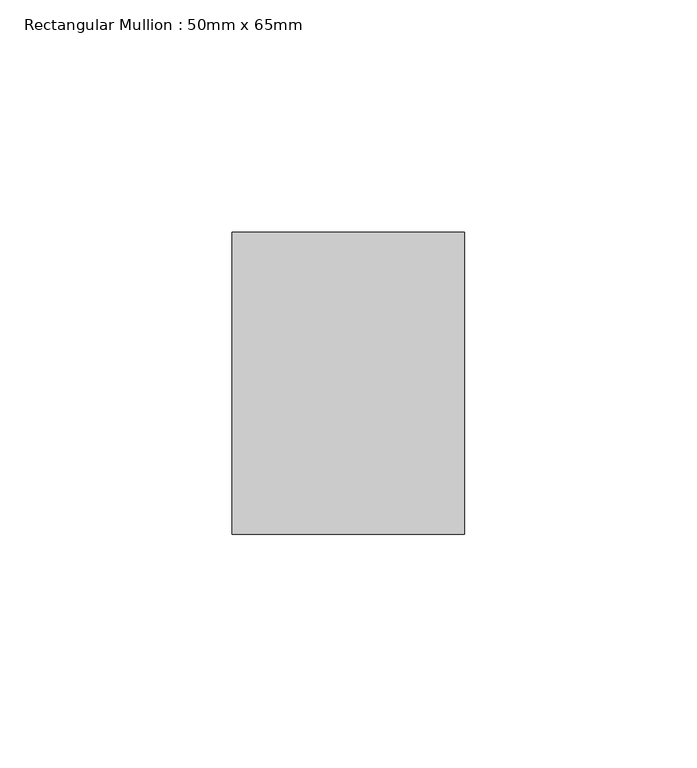
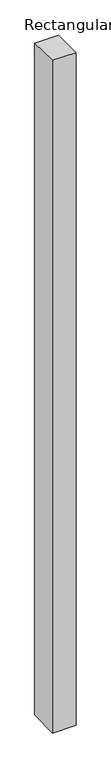
"""IFC4 building model written with IfcOpenShell, lengths in millimetres: member geometry, Rectangular Mullion : 50mm x 65mm."""

from ifc_helpers import new_model, si_unit, origin, place, context, project, spatial, faceted_brep, source, transform, mapped, element, save


def rectangular_mullion_50mm_x_65mm_c273dd89(model_context):
    return source(origin(), model_context, "Body", "Brep", [
        faceted_brep([(-25.0, 32.5, -0.5683175), (25.0, 32.5, -0.5683226), (25.0, 32.5, -1499.2869977), (-25.0, 32.5, -1499.2870042), (-25.0, -32.5, 0.5683226), (-25.0, -32.5, -1500.7124207), (25.0, -32.5, 0.5683175), (25.0, -32.5, -1500.7124142)], [[[0, 1, 2, 3]], [[4, 0, 3, 5]], [[6, 4, 5, 7]], [[1, 6, 7, 2]], [[1, 0, 4, 6]], [[2, 7, 5, 3]]]),
    ])


if __name__ == "__main__":
    model = new_model("IFC4")
    model_context = context("Model", 3, world=origin())
    ifc_project = project(units=[si_unit("LENGTHUNIT", "METRE", prefix="MILLI")], contexts=[model_context])
    site = spatial("IfcSite", under=ifc_project)
    building = spatial("IfcBuilding", under=site)
    placement = place(None, origin())
    rectangular_mullion_50mm_x_65mm_shape = rectangular_mullion_50mm_x_65mm_c273dd89(model_context)
    element("IfcMember", 1, ObjectType="Rectangular Mullion : 50mm x 65mm", at=placement, inside=building, context=model_context, shape_type="MappedRepresentation", body=[
        mapped(rectangular_mullion_50mm_x_65mm_shape, transform((0.0, 0.0, 0.0), x_axis=(1.0, 0.0, 0.0), y_axis=(0.0, 1.0, 0.0), z_axis=(0.0, 0.0, 1.0))),
    ])
    save(model, "model.ifc")
